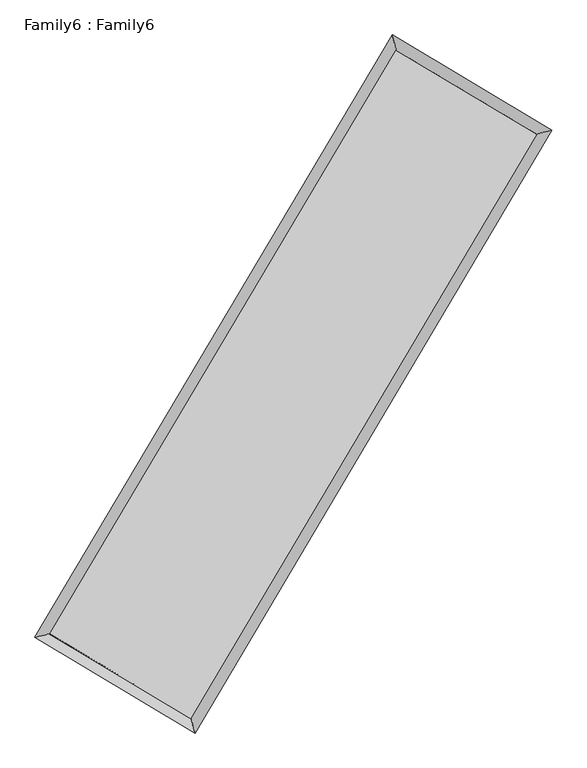
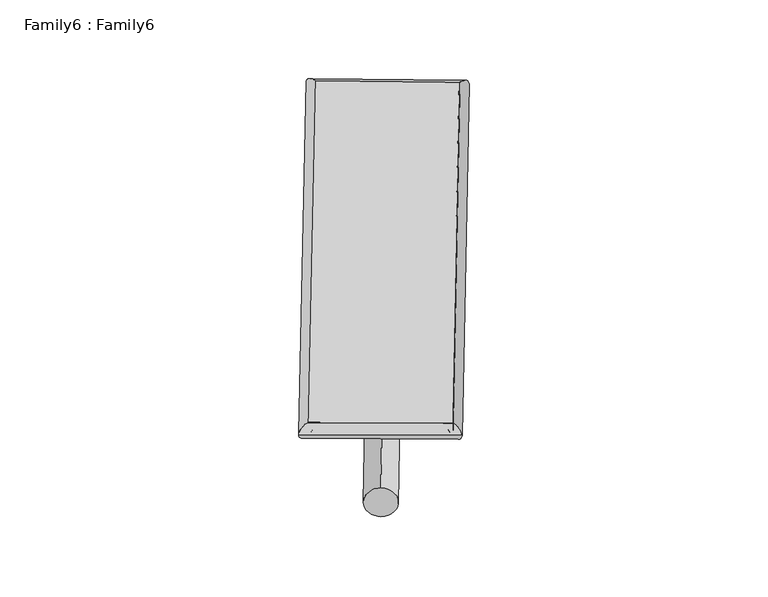
"""IFC4 building model written with IfcOpenShell, lengths in millimetres: plate geometry, Family6 : Family6."""

from ifc_helpers import new_model, si_unit, point, frame, origin, origin_2d, place, context, project, spatial, circle_curve, ellipse_curve, trimmed, segment, composite_curve, outline, extrude, source, transform, mapped, element, save
from ifc_brep_helpers import plane_surface, cylinder_surface, spline_surface, advanced_brep


def family6_family6_3ecabeda(model_context):
    return source(origin(), model_context, "Body", "SolidModel", [
        extrude(outline(composite_curve([segment(trimmed(circle_curve(origin_2d(), 76.2), [point((-75.4341515, -10.7763073))], [point((75.4341515, 10.7763073))], False, "CARTESIAN"), True, "CONTINUOUS"), segment(trimmed(circle_curve(origin_2d(), 76.2), [point((75.4341515, 10.7763073))], [point((-75.4341515, -10.7763073))], False, "CARTESIAN"), True, "CONTINUOUS")], self_intersect=False)), frame((9144.0, 9144.0, 0.0), z_axis=(0.6731076639940157, 0.6875187711953455, 0.2724775438941009), x_axis=(-0.6794827078301509, 0.7203794381007893, -0.13912841162536524)), (0.0, 0.0, 1.0), 5564.8070114),
        extrude(outline(composite_curve([segment(trimmed(circle_curve(origin_2d(), 76.2), [point((-53.8815368, 53.8815367))], [point((53.8815368, -53.8815367))], False, "CARTESIAN"), True, "CONTINUOUS"), segment(trimmed(circle_curve(origin_2d(), 76.2), [point((53.8815368, -53.8815367))], [point((-53.8815368, 53.8815367))], False, "CARTESIAN"), True, "CONTINUOUS")], self_intersect=False)), frame((9144.0, 9144.0, 0.0), z_axis=(-0.6735630663631972, -0.6870724208037803, 0.2724780435232172), x_axis=(0.6409303105729105, -0.3593291087996873, 0.6783000284226258)), (0.0, 0.0, 1.0), 5564.8692807),
        extrude(outline(composite_curve([segment(trimmed(circle_curve(origin_2d(), 76.2), [point((-53.8815367, -53.8815367))], [point((53.8815367, 53.8815367))], False, "CARTESIAN"), True, "CONTINUOUS"), segment(trimmed(circle_curve(origin_2d(), 76.2), [point((53.8815367, 53.8815367))], [point((-53.8815367, -53.8815367))], False, "CARTESIAN"), True, "CONTINUOUS")], self_intersect=False)), frame((9144.0, 9144.0, 0.0), z_axis=(0.2806476252860938, 0.9197914936374323, 0.2742635933796126), x_axis=(-0.8387612938767433, 0.37393987449982335, -0.3957884057842878)), (0.0, 0.0, 1.0), 5572.7377459),
        extrude(outline(composite_curve([segment(trimmed(circle_curve(origin_2d(), 76.2), [point((-75.4341514, 10.7763073))], [point((75.4341514, -10.7763073))], False, "CARTESIAN"), True, "CONTINUOUS"), segment(trimmed(circle_curve(origin_2d(), 76.2), [point((75.4341514, -10.7763073))], [point((-75.4341514, 10.7763073))], False, "CARTESIAN"), True, "CONTINUOUS")], self_intersect=False)), frame((9144.0, 9144.0, 0.0), z_axis=(-0.28011335041796814, -0.9199854725829856, 0.2741591529638967), x_axis=(0.8767146434079005, -0.12883252486129793, 0.46343674279454894)), (0.0, 0.0, 1.0), 5574.9540239),
        advanced_brep(
        [(5187.0701137, 5267.6058563, 1517.2754466), (5604.3540589, 5373.4647493, 1517.5287433), (5604.3490531, 5373.4577274, 1515.3339415), (10761.1056768, 14060.7062455, 1527.0742799), (10654.8455526, 14478.8073044, 1529.7238784), (5187.0651079, 5267.5988344, 1515.0806449), (12681.0870747, 12916.8098249, 1516.4135579), (13098.3414214, 13023.008732, 1516.1563355), (7529.2270538, 4224.3457663, 1528.1976625), (7635.5348461, 3805.9008092, 1528.6516835)],
        [
            (0, 1, ellipse_curve(frame((5395.7095834, 5320.5317919, 1516.3046941), z_axis=(-0.24589414417825808, 0.9692933596002716, -0.0025402546448431377), x_axis=(-0.9692853511228955, -0.24590309900442608, -0.004192135325191537)), 215.2580228, 152.4)),
            (1, 2, ellipse_curve(frame((5395.7095834, 5320.5317919, 1516.3046941), z_axis=(-0.24589414417825808, 0.9692933596002716, -0.0025402546448431377), x_axis=(-0.9692853511228955, -0.24590309900442608, -0.004192135325191537)), 215.2580228, 152.4)),
            (2, 3),
            (3, 4, ellipse_curve(frame((10707.9756147, 14269.7567749, 1528.3990791), z_axis=(-0.9691818520384027, -0.24633314557692562, 0.002553246871917718), x_axis=(0.2463214132091024, -0.9691791344264441, -0.004191275113777243)), 215.7008578, 152.4)),
            (4, 0),
            (2, 5, ellipse_curve(frame((5395.7095834, 5320.5317919, 1516.3046941), z_axis=(-0.24589414417825808, 0.9692933596002716, -0.0025402546448431377), x_axis=(-0.9692853511228955, -0.24590309900442608, -0.004192135325191537)), 215.2580228, 152.4)),
            (5, 0, ellipse_curve(frame((5395.7095834, 5320.5317919, 1516.3046941), z_axis=(-0.24589414417825808, 0.9692933596002716, -0.0025402546448431377), x_axis=(-0.9692853511228955, -0.24590309900442608, -0.004192135325191537)), 215.2580228, 152.4)),
            (4, 3, ellipse_curve(frame((10707.9756147, 14269.7567749, 1528.3990791), z_axis=(-0.9691818520384027, -0.24633314557692562, 0.002553246871917718), x_axis=(0.2463214132091024, -0.9691791344264441, -0.004191275113777243)), 215.7008578, 152.4)),
            (3, 6),
            (6, 7, ellipse_curve(frame((12889.714248, 12969.9092784, 1516.2849467), z_axis=(-0.24665238114172583, 0.9691006779399148, 0.0025453670686886145), x_axis=(-0.9690926216710856, -0.24666136833991478, 0.004202379247869711)), 215.2799701, 152.4)),
            (7, 4),
            (7, 6, ellipse_curve(frame((12889.714248, 12969.9092784, 1516.2849467), z_axis=(-0.24665238114172583, 0.9691006779399148, 0.0025453670686886145), x_axis=(-0.9690926216710856, -0.24666136833991478, 0.004202379247869711)), 215.2799701, 152.4)),
            (6, 8),
            (8, 9, ellipse_curve(frame((7582.38095, 4015.1232877, 1528.424673), z_axis=(0.9692070441201516, 0.24623409752078995, 0.0025445718697852168), x_axis=(-0.24622242362845845, 0.9692043227956564, -0.0041831539227272846)), 215.8700851, 152.4)),
            (9, 7),
            (9, 8, ellipse_curve(frame((7582.38095, 4015.1232877, 1528.424673), z_axis=(0.9692070441201516, 0.24623409752078995, 0.0025445718697852168), x_axis=(-0.24622242362845845, 0.9692043227956564, -0.0041831539227272846)), 215.8700851, 152.4)),
            (8, 1),
            (5, 9),
        ],
        [
            cylinder_surface(frame((5395.7095834, 5320.5317919, 1516.3046941), z_axis=(-0.5104434720818256, -0.8599105251606598, -0.0011621217529798628), x_axis=(-0.8598911997872837, 0.5104218256221008, 0.007528908087336216)), 152.4),
            cylinder_surface(frame((10707.9756147, 14269.7567749, 1528.3990791), z_axis=(-0.8590764803697617, 0.5118250166379584, 0.004770033443929854), x_axis=(0.5118429606791496, 0.8590701107012467, 0.003915163208655988)), 152.4),
            cylinder_surface(frame((12889.714248, 12969.9092784, 1516.2849467), z_axis=(0.5098584562842949, 0.8602575163727555, -0.0011662244955422782), x_axis=(0.860258247497109, -0.5098584562842949, 0.00031963823059159933)), 152.4),
            cylinder_surface(frame((7582.38095, 4015.1232877, 1528.424673), z_axis=(0.8586234570238118, -0.5125847348538749, 0.004759059073085831), x_axis=(-0.5125743524153322, -0.858636561372699, -0.0032846187100216383)), 152.4),
        ],
        [
            (0, [[1, 2, 3, 4, 5]]),
            (0, [[6, 7, -5, 8, -3]]),
            (1, [[-4, 9, 10, 11]]),
            (1, [[-8, -11, 12, -9]]),
            (2, [[-10, 13, 14, 15]]),
            (2, [[-12, -15, 16, -13]]),
            (3, [[-14, 17, -1, -7, 18]]),
            (3, [[-16, -18, -6, -2, -17]]),
        ],
    ),
        extrude(outline(composite_curve([segment(trimmed(circle_curve(origin_2d(), 304.8), [point((0.0, -304.8))], [point((0.0, 304.8))], False, "CARTESIAN"), True, "CONTINUOUS"), segment(trimmed(circle_curve(origin_2d(), 304.8), [point((0.0, 304.8))], [point((0.0, -304.8))], False, "CARTESIAN"), True, "CONTINUOUS")], self_intersect=False)), frame((6484.5559431, 4646.2256121, -0.0001395), z_axis=(0.5089659391217952, 0.8607866592912954, 2.6690589372765428e-08), x_axis=(-0.8607866592912957, 0.5089659391217952, 7.300461242019884e-09)), (0.0, 0.0, 1.0), 10450.381263),
        advanced_brep(
        [(5395.7095834, 5320.5317919, 1516.3046941), (7582.38095, 4015.1232877, 1528.424673), (7582.3801098, 4015.1241943, 1680.824673), (5395.7087433, 5320.5326984, 1668.7046941), (12889.714248, 12969.9092784, 1516.2849467), (12889.7134079, 12969.910185, 1668.6849467), (10707.9756147, 14269.7567749, 1528.3990791), (10707.9747746, 14269.7576815, 1680.7990791)],
        [
            (0, 1),
            (1, 2),
            (2, 3),
            (3, 0),
            (1, 4),
            (4, 5),
            (5, 2),
            (4, 6),
            (6, 7),
            (7, 5),
            (6, 0),
            (3, 7),
        ],
        [
            plane_surface(frame((6489.0452667, 4667.8275398, 1522.3646835), z_axis=(-0.5125905489499739, -0.8586331749483931, 2.2818580550946696e-06), x_axis=(0.8586234570238119, -0.5125847348538749, 0.00475905907308583))),
            plane_surface(frame((10236.047599, 8492.5162831, 1522.3548099), z_axis=(0.860258105979851, -0.5098587951928528, 7.77511488095101e-06), x_axis=(0.5098584562842952, 0.8602575163727555, -0.0011662244955422793))),
            plane_surface(frame((11798.8449314, 13619.8330267, 1522.3420129), z_axis=(0.511830830190276, 0.8590862594998797, -2.288741225753982e-06), x_axis=(-0.8590764803697616, 0.5118250166379587, 0.004770033443929853))),
            plane_surface(frame((8051.8425991, 9795.1442834, 1522.3518866), z_axis=(-0.8599111011883089, 0.5104438245219876, -7.776682011959848e-06), x_axis=(-0.5104434720818258, -0.8599105251606598, -0.0011621217529798622))),
            spline_surface(1, 1, [[(7582.3801098, 4015.1241943, 1680.824673), (5395.7087433, 5320.5326984, 1668.7046941)], [(12889.7134079, 12969.910185, 1668.6849467), (10707.9747746, 14269.7576815, 1680.7990791)]], [2, 2], [2, 2], [0.0, 1.0], [0.0, 1.0]),
            spline_surface(1, 1, [[(10707.9756147, 14269.7567749, 1528.3990791), (5395.7095834, 5320.5317919, 1516.3046941)], [(12889.714248, 12969.9092784, 1516.2849467), (7582.38095, 4015.1232877, 1528.424673)]], [2, 2], [2, 2], [0.0, 1.0], [0.0, 1.0]),
        ],
        [
            (0, [[1, 2, 3, 4]]),
            (1, [[5, 6, 7, -2]]),
            (2, [[8, 9, 10, -6]]),
            (3, [[11, -4, 12, -9]]),
            (4, [[-3, -7, -10, -12]]),
            (5, [[-11, -8, -5, -1]]),
        ],
    ),
    ])


if __name__ == "__main__":
    model = new_model("IFC4")
    model_context = context("Model", 3, world=origin())
    ifc_project = project(units=[si_unit("LENGTHUNIT", "METRE", prefix="MILLI")], contexts=[model_context])
    site = spatial("IfcSite", under=ifc_project)
    building = spatial("IfcBuilding", under=site)
    placement = place(None, origin())
    family6_family6_shape = family6_family6_3ecabeda(model_context)
    element("IfcPlate", 1, ObjectType="Family6 : Family6", at=placement, inside=building, context=model_context, shape_type="MappedRepresentation", body=[
        mapped(family6_family6_shape, transform((0.0, 0.0, 0.0), x_axis=(1.0, 0.0, 0.0), y_axis=(0.0, 1.0, 0.0), z_axis=(0.0, 0.0, 1.0))),
    ])
    save(model, "model.ifc")
